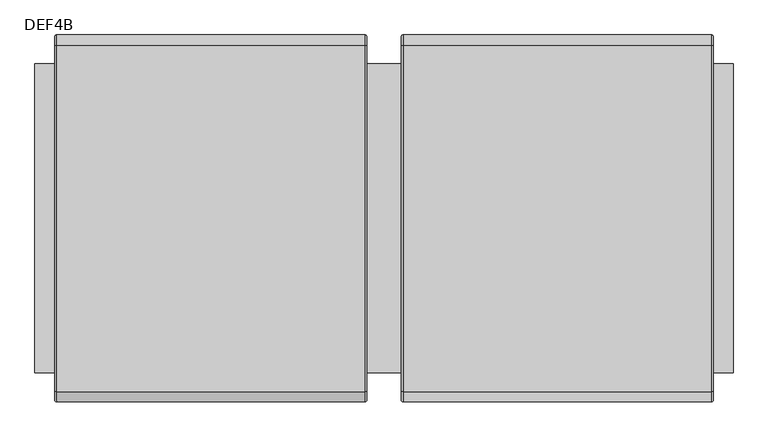
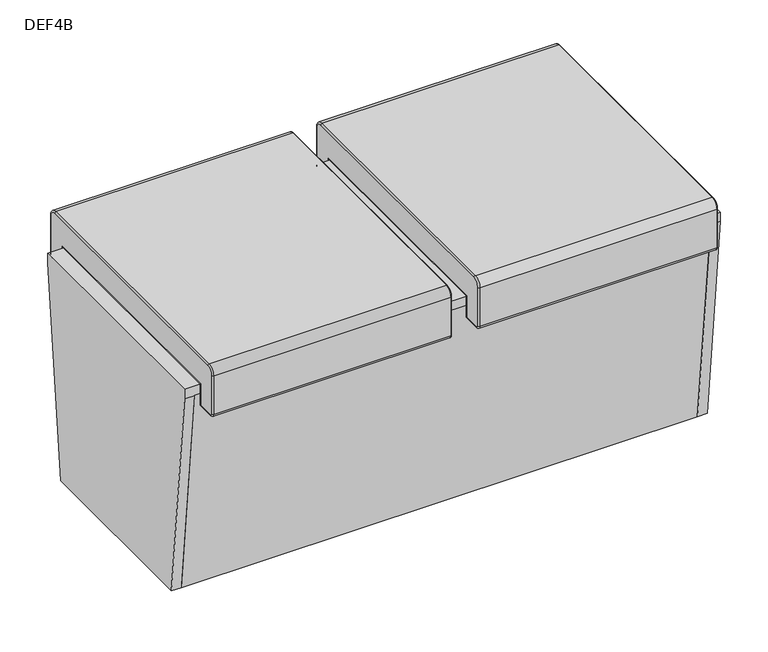
"""IFC4 building model written with IfcOpenShell, lengths in millimetres: furniture geometry, DEF4B."""

from ifc_helpers import new_model, si_unit, point, frame, origin, place, context, project, spatial, polyline, circle_curve, ellipse_curve, trimmed, outline, extrude, faceted_brep, source, transform, mapped, element, save
from ifc_brep_helpers import plane_surface, cylinder_surface, revolved_surface, advanced_brep


def def4b_145279ad(model_context):
    return source(origin(), model_context, "Body", "SolidModel", [
        faceted_brep([(-612.7783, 271.2596097, 496.5033953), (-612.7783, 219.075, 0.0), (-612.7783, -219.1360679, 0.0), (-612.7783, -271.2596097, 495.9223731), (-612.7783, -271.2596097, 518.7283953), (-612.7783, 271.2596097, 518.7283953), (-590.5721, -271.2596097, 495.9223731), (-590.5721, -219.1360679, 0.0), (-590.5721, 219.075, 0.0), (-590.5721, 271.2596097, 496.5033953), (-590.5721, -271.2596097, 496.5033953), (612.7783, 271.2596097, 518.7283953), (612.7783, 271.2596097, 496.5033953), (590.5721, 271.2596097, 496.5033953), (612.7783, -271.2596097, 518.7283953), (590.5721, -271.2596097, 496.5033953), (590.5721, -271.2596097, 495.9223731), (612.7783, -271.2596097, 495.9223731), (612.7783, -219.1360679, 0.0), (612.7783, 219.075, 0.0), (590.5721, 219.075, 0.0), (590.5721, -219.1360679, 0.0)], [[[0, 1, 2, 3, 4, 5]], [[6, 7, 8, 9, 10]], [[0, 5, 11, 12, 13, 9]], [[11, 5, 4, 14]], [[14, 4, 3, 6, 10, 15, 16, 17]], [[3, 2, 7, 6]], [[2, 1, 8, 7]], [[1, 0, 9, 8]], [[9, 13, 15, 10]], [[12, 11, 14, 17, 18, 19]], [[13, 20, 21, 16, 15]], [[18, 17, 16, 21]], [[19, 18, 21, 20]], [[12, 19, 20, 13]]]),
        advanced_brep(
        [(33.6023958, -304.0990974, 587.379849), (30.4273958, -304.0990974, 584.204849), (30.4273958, -318.8846097, 569.4193368), (33.6023958, -322.0596097, 569.4193368), (30.4273958, -318.8846097, 476.4000761), (33.6023958, -322.0596097, 476.4000761), (30.4273958, -313.0793535, 470.59482), (33.6023958, -313.0793535, 467.41982), (30.4273958, -274.4346097, 470.59482), (33.6023958, -271.2596097, 467.41982), (30.4273958, -274.4346097, 521.9033953), (33.6023958, -271.2596097, 518.7283953), (30.4273958, 274.4346097, 521.9033953), (33.6023958, 271.2596097, 518.7283953), (30.4273958, 274.4346097, 470.59482), (33.6023958, 271.2596097, 467.41982), (30.4273958, 312.9177074, 470.59482), (33.6023958, 312.9177074, 467.41982), (30.4273958, 318.8846097, 476.5617223), (33.6023958, 322.0596097, 476.5617223), (30.4273958, 318.8846097, 569.4193368), (33.6023958, 322.0596097, 569.4193368), (30.4273958, 304.0990974, 584.204849), (33.6023958, 304.0990974, 587.379849), (574.8658963, -271.2596097, 518.7283953), (574.8658963, 271.2596097, 518.7283953), (574.8658963, 271.2596097, 467.41982), (574.8658963, 312.9177074, 467.41982), (574.8658963, 322.0596097, 476.5617223), (574.8658963, 322.0596097, 569.4193368), (574.8658963, 304.0990974, 587.379849), (574.8658963, -304.0990974, 587.379849), (574.8658963, -322.0596097, 569.4193368), (574.8658963, -322.0596097, 476.4000761), (574.8658963, -313.0793535, 467.41982), (574.8658963, -271.2596097, 467.41982), (578.0408963, -304.0990974, 584.204849), (578.0408963, -318.8846097, 569.4193368), (578.0408963, -318.8846097, 476.4000761), (578.0408963, -313.0793535, 470.59482), (578.0408963, -274.4346097, 470.59482), (578.0408963, -274.4346097, 521.9033953), (578.0408963, 274.4346097, 521.9033953), (578.0408963, 274.4346097, 470.59482), (578.0408963, 312.9177074, 470.59482), (578.0408963, 318.8846097, 476.5617223), (578.0408963, 318.8846097, 569.4193368), (578.0408963, 304.0990974, 584.204849)],
        [
            (0, 1, circle_curve(frame((33.6023958, -304.0990974, 584.204849), z_axis=(0.0, -1.0, 0.0), x_axis=(0.0, 0.0, -1.0)), 3.175)),
            (1, 2, circle_curve(frame((30.4273958, -304.0990974, 569.4193368), z_axis=(1.0, 0.0, 0.0), x_axis=(0.0, 0.0, 1.0)), 14.7855122)),
            (2, 3, circle_curve(frame((33.6023958, -318.8846097, 569.4193368), z_axis=(0.0, 0.0, 1.0), x_axis=(0.0, 1.0, 0.0)), 3.175)),
            (3, 0, circle_curve(frame((33.6023958, -304.0990974, 569.4193368), z_axis=(-1.0, 0.0, 0.0), x_axis=(0.0, 0.0, 1.0)), 17.9605122)),
            (2, 4),
            (4, 5, circle_curve(frame((33.6023958, -318.8846097, 476.4000761), z_axis=(0.0, 0.0, 1.0), x_axis=(0.0, 1.0, 0.0)), 3.175)),
            (5, 3),
            (4, 6, circle_curve(frame((30.4273958, -313.0793535, 476.4000761), z_axis=(1.0, 0.0, 0.0), x_axis=(0.0, -1.0, 0.0)), 5.8052561)),
            (6, 7, circle_curve(frame((33.6023958, -313.0793535, 470.59482), z_axis=(0.0, -1.0, 0.0), x_axis=(0.0, 0.0, 1.0)), 3.175)),
            (7, 5, circle_curve(frame((33.6023958, -313.0793535, 476.4000761), z_axis=(-1.0, 0.0, 0.0), x_axis=(0.0, -1.0, 0.0)), 8.9802561)),
            (6, 8),
            (8, 9, ellipse_curve(frame((33.6023958, -274.4346097, 470.59482), z_axis=(0.0, -0.707106781186549, -0.7071067811865459), x_axis=(0.0, -0.7071067811865461, 0.7071067811865489)), 4.4901281, 3.175)),
            (9, 7),
            (8, 10),
            (10, 11, ellipse_curve(frame((33.6023958, -274.4346097, 521.9033953), z_axis=(0.0, -0.707106781186549, -0.7071067811865458), x_axis=(0.0, 0.7071067811865457, -0.7071067811865493)), 4.4901281, 3.175)),
            (11, 9),
            (10, 12),
            (12, 13, ellipse_curve(frame((33.6023958, 274.4346097, 521.9033953), z_axis=(0.0, -0.7071067811865451, 0.7071067811865498), x_axis=(0.0, -0.70710678118655, -0.707106781186545)), 4.4901281, 3.175)),
            (13, 11),
            (12, 14),
            (14, 15, ellipse_curve(frame((33.6023958, 274.4346097, 470.59482), z_axis=(0.0, -0.7071067811865486, 0.7071067811865464), x_axis=(0.0, 0.7071067811865464, 0.7071067811865487)), 4.4901281, 3.175)),
            (15, 13),
            (14, 16),
            (16, 17, circle_curve(frame((33.6023958, 312.9177074, 470.59482), z_axis=(0.0, -1.0, 0.0), x_axis=(0.0, 0.0, 1.0)), 3.175)),
            (17, 15),
            (16, 18, circle_curve(frame((30.4273958, 312.9177074, 476.5617223), z_axis=(1.0, 0.0, 0.0), x_axis=(0.0, 0.0, -1.0)), 5.9669023)),
            (18, 19, circle_curve(frame((33.6023958, 318.8846097, 476.5617223), z_axis=(0.0, 0.0, -1.0), x_axis=(0.0, -1.0, 0.0)), 3.175)),
            (19, 17, circle_curve(frame((33.6023958, 312.9177074, 476.5617223), z_axis=(-1.0, 0.0, 0.0), x_axis=(0.0, 0.0, -1.0)), 9.1419023)),
            (18, 20),
            (20, 21, circle_curve(frame((33.6023958, 318.8846097, 569.4193368), z_axis=(0.0, 0.0, -1.0), x_axis=(0.0, -1.0, 0.0)), 3.175)),
            (21, 19),
            (20, 22, circle_curve(frame((30.4273958, 304.0990974, 569.4193368), z_axis=(1.0, 0.0, 0.0), x_axis=(0.0, 1.0, 0.0)), 14.7855122)),
            (22, 23, circle_curve(frame((33.6023958, 304.0990974, 584.204849), z_axis=(0.0, 1.0, 0.0), x_axis=(0.0, 0.0, -1.0)), 3.175)),
            (23, 21, circle_curve(frame((33.6023958, 304.0990974, 569.4193368), z_axis=(-1.0, 0.0, 0.0), x_axis=(0.0, 1.0, 0.0)), 17.9605122)),
            (0, 23),
            (22, 1),
            (24, 11),
            (13, 25),
            (25, 24),
            (15, 26),
            (26, 25),
            (17, 27),
            (27, 26),
            (19, 28),
            (28, 27, circle_curve(frame((574.8658963, 312.9177074, 476.5617223), z_axis=(-1.0, 0.0, 0.0), x_axis=(0.0, 1.0, 0.0)), 9.1419023)),
            (21, 29),
            (29, 28),
            (23, 30),
            (30, 29, circle_curve(frame((574.8658963, 304.0990974, 569.4193368), z_axis=(-1.0, 0.0, 0.0), x_axis=(0.0, 1.0, 0.0)), 17.9605122)),
            (0, 31),
            (31, 30),
            (3, 32),
            (32, 31, circle_curve(frame((574.8658963, -304.0990974, 569.4193368), z_axis=(-1.0, 0.0, 0.0), x_axis=(0.0, 1.0, 0.0)), 17.9605122)),
            (5, 33),
            (33, 32),
            (7, 34),
            (34, 33, circle_curve(frame((574.8658963, -313.0793535, 476.4000761), z_axis=(-1.0, 0.0, 0.0), x_axis=(0.0, 1.0, 0.0)), 8.9802561)),
            (9, 35),
            (35, 34),
            (24, 35),
            (36, 31, circle_curve(frame((574.8658963, -304.0990974, 584.204849), z_axis=(0.0, -1.0, 0.0), x_axis=(0.0, 0.0, 1.0)), 3.175)),
            (32, 37, circle_curve(frame((574.8658963, -318.8846097, 569.4193368), z_axis=(0.0, 0.0, 1.0), x_axis=(0.0, -1.0, 0.0)), 3.175)),
            (37, 36, circle_curve(frame((578.0408963, -304.0990974, 569.4193368), z_axis=(-1.0, 0.0, 0.0), x_axis=(0.0, 0.0, 1.0)), 14.7855122)),
            (33, 38, circle_curve(frame((574.8658963, -318.8846097, 476.4000761), z_axis=(0.0, 0.0, 1.0), x_axis=(0.0, -1.0, 0.0)), 3.175)),
            (38, 37),
            (34, 39, circle_curve(frame((574.8658963, -313.0793535, 470.59482), z_axis=(0.0, -1.0, 0.0), x_axis=(0.0, 0.0, -1.0)), 3.175)),
            (39, 38, circle_curve(frame((578.0408963, -313.0793535, 476.4000761), z_axis=(-1.0, 0.0, 0.0), x_axis=(0.0, -1.0, 0.0)), 5.8052561)),
            (35, 40, ellipse_curve(frame((574.8658963, -274.4346097, 470.59482), z_axis=(0.0, -0.707106781186549, -0.7071067811865459), x_axis=(0.0, -0.7071067811865461, 0.7071067811865489)), 4.4901281, 3.175)),
            (40, 39),
            (24, 41, ellipse_curve(frame((574.8658963, -274.4346097, 521.9033953), z_axis=(0.0, -0.707106781186549, -0.7071067811865458), x_axis=(0.0, 0.7071067811865457, -0.7071067811865493)), 4.4901281, 3.175)),
            (41, 40),
            (25, 42, ellipse_curve(frame((574.8658963, 274.4346097, 521.9033953), z_axis=(0.0, -0.7071067811865451, 0.7071067811865498), x_axis=(0.0, -0.70710678118655, -0.707106781186545)), 4.4901281, 3.175)),
            (42, 41),
            (26, 43, ellipse_curve(frame((574.8658963, 274.4346097, 470.59482), z_axis=(0.0, -0.7071067811865486, 0.7071067811865464), x_axis=(0.0, 0.7071067811865464, 0.7071067811865487)), 4.4901281, 3.175)),
            (43, 42),
            (27, 44, circle_curve(frame((574.8658963, 312.9177074, 470.59482), z_axis=(0.0, -1.0, 0.0), x_axis=(0.0, 0.0, -1.0)), 3.175)),
            (44, 43),
            (28, 45, circle_curve(frame((574.8658963, 318.8846097, 476.5617223), z_axis=(0.0, 0.0, -1.0), x_axis=(0.0, 1.0, 0.0)), 3.175)),
            (45, 44, circle_curve(frame((578.0408963, 312.9177074, 476.5617223), z_axis=(-1.0, 0.0, 0.0), x_axis=(0.0, 0.0, -1.0)), 5.9669023)),
            (29, 46, circle_curve(frame((574.8658963, 318.8846097, 569.4193368), z_axis=(0.0, 0.0, -1.0), x_axis=(0.0, 1.0, 0.0)), 3.175)),
            (46, 45),
            (30, 47, circle_curve(frame((574.8658963, 304.0990974, 584.204849), z_axis=(0.0, 1.0, 0.0), x_axis=(0.0, 0.0, 1.0)), 3.175)),
            (47, 46, circle_curve(frame((578.0408963, 304.0990974, 569.4193368), z_axis=(-1.0, 0.0, 0.0), x_axis=(0.0, 1.0, 0.0)), 14.7855122)),
            (36, 47),
        ],
        [
            revolved_surface(trimmed(ellipse_curve(frame((33.6023958, -304.0990974, 584.204849), z_axis=(0.0, 1.0, 0.0), x_axis=(0.0, 0.0, -1.0)), 3.175, 3.175), [point((30.4273958, -304.0990974, 584.204849))], [point((33.6023958, -304.0990974, 587.379849))], True, "CARTESIAN"), (608.4682922, -304.0990974, 569.4193368), (1.0, 0.0, 0.0)),
            cylinder_surface(frame((33.6023958, -318.8846097, 569.4193368), z_axis=(0.0, 0.0, 1.0), x_axis=(0.0, 1.0, 0.0)), 3.175),
            revolved_surface(trimmed(ellipse_curve(frame((33.6023958, -318.8846097, 476.4000761), z_axis=(0.0, 0.0, 1.0), x_axis=(0.0, 1.0, 0.0)), 3.175, 3.175), [point((30.4273958, -318.8846097, 476.4000761))], [point((33.6023958, -322.0596097, 476.4000761))], True, "CARTESIAN"), (608.4682922, -313.0793535, 476.4000761), (1.0, 0.0, 0.0)),
            cylinder_surface(frame((33.6023958, -313.0793535, 470.59482), z_axis=(0.0, -1.0, 0.0), x_axis=(0.0, 0.0, 1.0)), 3.175),
            cylinder_surface(frame((33.6023958, -274.4346097, 467.41982), z_axis=(0.0, 0.0, -1.0), x_axis=(0.0, -1.0, 0.0)), 3.175),
            cylinder_surface(frame((33.6023958, -271.2596097, 521.9033953), z_axis=(0.0, -1.0, 0.0), x_axis=(0.0, 0.0, 1.0)), 3.175),
            cylinder_surface(frame((33.6023958, 274.4346097, 518.7283953), z_axis=(0.0, 0.0, 1.0), x_axis=(0.0, 1.0, 0.0)), 3.175),
            cylinder_surface(frame((33.6023958, 271.2596097, 470.59482), z_axis=(0.0, -1.0, 0.0), x_axis=(0.0, 0.0, 1.0)), 3.175),
            revolved_surface(trimmed(ellipse_curve(frame((33.6023958, 312.9177074, 470.59482), z_axis=(0.0, -1.0, 0.0), x_axis=(0.0, 0.0, 1.0)), 3.175, 3.175), [point((30.4273958, 312.9177074, 470.59482))], [point((33.6023958, 312.9177074, 467.41982))], True, "CARTESIAN"), (608.4682922, 312.9177074, 476.5617223), (1.0, 0.0, 0.0)),
            cylinder_surface(frame((33.6023958, 318.8846097, 476.5617223), z_axis=(0.0, 0.0, -1.0), x_axis=(0.0, -1.0, 0.0)), 3.175),
            revolved_surface(trimmed(ellipse_curve(frame((33.6023958, 318.8846097, 569.4193368), z_axis=(0.0, 0.0, -1.0), x_axis=(0.0, -1.0, 0.0)), 3.175, 3.175), [point((30.4273958, 318.8846097, 569.4193368))], [point((33.6023958, 322.0596097, 569.4193368))], True, "CARTESIAN"), (608.4682922, 304.0990974, 569.4193368), (1.0, 0.0, 0.0)),
            cylinder_surface(frame((33.6023958, 304.0990974, 584.204849), z_axis=(0.0, 1.0, 0.0), x_axis=(0.0, 0.0, -1.0)), 3.175),
            plane_surface(frame((574.8658963, -271.2596097, 518.7283953), z_axis=(0.0, 0.0, -1.0), x_axis=(-1.0, 0.0, 0.0))),
            plane_surface(frame((574.8658963, 271.2596097, 518.7283953), z_axis=(0.0, -1.0, 0.0), x_axis=(-1.0, 0.0, 0.0))),
            plane_surface(frame((574.8658963, 271.2596097, 467.41982), z_axis=(0.0, 0.0, -1.0), x_axis=(-1.0, 0.0, 0.0))),
            cylinder_surface(frame((33.6023958, 312.9177074, 476.5617223), z_axis=(1.0, 0.0, 0.0), x_axis=(0.0, 1.0, 0.0)), 9.1419023),
            plane_surface(frame((574.8658963, 322.0596097, 476.5617223), z_axis=(0.0, 1.0, 0.0), x_axis=(-1.0, 0.0, 0.0))),
            cylinder_surface(frame((33.6023958, 304.0990974, 569.4193368), z_axis=(1.0, 0.0, 0.0), x_axis=(0.0, 1.0, 0.0)), 17.9605122),
            plane_surface(frame((574.8658963, 304.0990974, 587.379849), z_axis=(0.0, 0.0, 1.0), x_axis=(-1.0, 0.0, 0.0))),
            cylinder_surface(frame((33.6023958, -304.0990974, 569.4193368), z_axis=(1.0, 0.0, 0.0), x_axis=(0.0, 1.0, 0.0)), 17.9605122),
            plane_surface(frame((574.8658963, -322.0596097, 569.4193368), z_axis=(0.0, -1.0, 0.0), x_axis=(-1.0, 0.0, 0.0))),
            cylinder_surface(frame((33.6023958, -313.0793535, 476.4000761), z_axis=(1.0, 0.0, 0.0), x_axis=(0.0, 1.0, 0.0)), 8.9802561),
            plane_surface(frame((574.8658963, -313.0793535, 467.41982), z_axis=(0.0, 0.0, -1.0), x_axis=(-1.0, 0.0, 0.0))),
            plane_surface(frame((574.8658963, -271.2596097, 467.41982), z_axis=(0.0, 1.0, 0.0), x_axis=(-1.0, 0.0, 0.0))),
            revolved_surface(trimmed(ellipse_curve(frame((574.8658963, -304.0990974, 584.204849), z_axis=(0.0, 1.0, 0.0), x_axis=(0.0, 0.0, 1.0)), 3.175, 3.175), [point((574.8658963, -304.0990974, 587.379849))], [point((578.0408963, -304.0990974, 584.204849))], True, "CARTESIAN"), (0.0, -304.0990974, 569.4193368), (1.0, 0.0, 0.0)),
            cylinder_surface(frame((574.8658963, -318.8846097, 569.4193368), z_axis=(0.0, 0.0, 1.0), x_axis=(0.0, -1.0, 0.0)), 3.175),
            revolved_surface(trimmed(ellipse_curve(frame((574.8658963, -318.8846097, 476.4000761), z_axis=(0.0, 0.0, 1.0), x_axis=(0.0, -1.0, 0.0)), 3.175, 3.175), [point((574.8658963, -322.0596097, 476.4000761))], [point((578.0408963, -318.8846097, 476.4000761))], True, "CARTESIAN"), (0.0, -313.0793535, 476.4000761), (1.0, 0.0, 0.0)),
            cylinder_surface(frame((574.8658963, -313.0793535, 470.59482), z_axis=(0.0, -1.0, 0.0), x_axis=(0.0, 0.0, -1.0)), 3.175),
            cylinder_surface(frame((574.8658963, -274.4346097, 467.41982), z_axis=(0.0, 0.0, -1.0), x_axis=(0.0, 1.0, 0.0)), 3.175),
            cylinder_surface(frame((574.8658963, -271.2596097, 521.9033953), z_axis=(0.0, -1.0, 0.0), x_axis=(0.0, 0.0, -1.0)), 3.175),
            cylinder_surface(frame((574.8658963, 274.4346097, 518.7283953), z_axis=(0.0, 0.0, 1.0), x_axis=(0.0, -1.0, 0.0)), 3.175),
            cylinder_surface(frame((574.8658963, 271.2596097, 470.59482), z_axis=(0.0, -1.0, 0.0), x_axis=(0.0, 0.0, -1.0)), 3.175),
            revolved_surface(trimmed(ellipse_curve(frame((574.8658963, 312.9177074, 470.59482), z_axis=(0.0, -1.0, 0.0), x_axis=(0.0, 0.0, -1.0)), 3.175, 3.175), [point((574.8658963, 312.9177074, 467.41982))], [point((578.0408963, 312.9177074, 470.59482))], True, "CARTESIAN"), (0.0, 312.9177074, 476.5617223), (1.0, 0.0, 0.0)),
            cylinder_surface(frame((574.8658963, 318.8846097, 476.5617223), z_axis=(0.0, 0.0, -1.0), x_axis=(0.0, 1.0, 0.0)), 3.175),
            revolved_surface(trimmed(ellipse_curve(frame((574.8658963, 318.8846097, 569.4193368), z_axis=(0.0, 0.0, -1.0), x_axis=(0.0, 1.0, 0.0)), 3.175, 3.175), [point((574.8658963, 322.0596097, 569.4193368))], [point((578.0408963, 318.8846097, 569.4193368))], True, "CARTESIAN"), (0.0, 304.0990974, 569.4193368), (1.0, 0.0, 0.0)),
            cylinder_surface(frame((574.8658963, 304.0990974, 584.204849), z_axis=(0.0, 1.0, 0.0), x_axis=(0.0, 0.0, 1.0)), 3.175),
            plane_surface(frame((578.0408963, -304.0990974, 584.204849), z_axis=(1.0, 0.0, 0.0), x_axis=(0.0, -1.0, 0.0))),
            plane_surface(frame((30.4273958, -304.0990974, 584.204849), z_axis=(-1.0, 0.0, 0.0), x_axis=(0.0, 1.0, 0.0))),
        ],
        [
            (0, [[1, 2, 3, 4]]),
            (1, [[-3, 5, 6, 7]]),
            (2, [[-6, 8, 9, 10]]),
            (3, [[-9, 11, 12, 13]]),
            (4, [[-12, 14, 15, 16]]),
            (5, [[-15, 17, 18, 19]]),
            (6, [[-18, 20, 21, 22]]),
            (7, [[-21, 23, 24, 25]]),
            (8, [[-24, 26, 27, 28]]),
            (9, [[-27, 29, 30, 31]]),
            (10, [[-30, 32, 33, 34]]),
            (11, [[-1, 35, -33, 36]]),
            (12, [[37, -19, 38, 39]]),
            (13, [[-38, -22, 40, 41]]),
            (14, [[-40, -25, 42, 43]]),
            (15, [[-42, -28, 44, 45]]),
            (16, [[-44, -31, 46, 47]]),
            (17, [[-46, -34, 48, 49]]),
            (18, [[-48, -35, 50, 51]]),
            (19, [[-50, -4, 52, 53]]),
            (20, [[-52, -7, 54, 55]]),
            (21, [[-54, -10, 56, 57]]),
            (22, [[-56, -13, 58, 59]]),
            (23, [[-37, 60, -58, -16]]),
            (24, [[61, -53, 62, 63]]),
            (25, [[-62, -55, 64, 65]]),
            (26, [[-64, -57, 66, 67]]),
            (27, [[-66, -59, 68, 69]]),
            (28, [[-68, -60, 70, 71]]),
            (29, [[-70, -39, 72, 73]]),
            (30, [[-72, -41, 74, 75]]),
            (31, [[-74, -43, 76, 77]]),
            (32, [[-76, -45, 78, 79]]),
            (33, [[-78, -47, 80, 81]]),
            (34, [[-80, -49, 82, 83]]),
            (35, [[-61, 84, -82, -51]]),
            (36, [[-63, -65, -67, -69, -71, -73, -75, -77, -79, -81, -83, -84]]),
            (37, [[-2, -36, -32, -29, -26, -23, -20, -17, -14, -11, -8, -5]]),
        ],
    ),
        advanced_brep(
        [(-574.8658963, 271.2596097, 518.7283953), (-33.6023958, 271.2596097, 518.7283953), (-33.6023958, -271.2596097, 518.7283953), (-574.8658963, -271.2596097, 518.7283953), (-574.8658963, 271.2596097, 467.41982), (-33.6023958, 271.2596097, 467.41982), (-574.8658963, 312.9177074, 467.41982), (-33.6023958, 312.9177074, 467.41982), (-574.8658963, 322.0596097, 476.5617223), (-33.6023958, 322.0596097, 476.5617223), (-574.8658963, 322.0596097, 569.4193368), (-33.6023958, 322.0596097, 569.4193368), (-574.8658963, 304.0990974, 587.379849), (-33.6023958, 304.0990974, 587.379849), (-574.8658963, -304.0990974, 587.379849), (-33.6023958, -304.0990974, 587.379849), (-574.8658963, -322.0596097, 569.4193368), (-33.6023958, -322.0596097, 569.4193368), (-574.8658963, -322.0596097, 476.4000761), (-33.6023958, -322.0596097, 476.4000761), (-574.8658963, -313.0793535, 467.41982), (-33.6023958, -313.0793535, 467.41982), (-574.8658963, -271.2596097, 467.41982), (-33.6023958, -271.2596097, 467.41982), (-578.0408963, -304.0990974, 584.204849), (-578.0408963, -318.8846097, 569.4193368), (-578.0408963, -318.8846097, 476.4000761), (-578.0408963, -313.0793535, 470.59482), (-578.0408963, -274.4346097, 470.59482), (-578.0408963, -274.4346097, 521.9033953), (-578.0408963, 274.4346097, 521.9033953), (-578.0408963, 274.4346097, 470.59482), (-578.0408963, 312.9177074, 470.59482), (-578.0408963, 318.8846097, 476.5617223), (-578.0408963, 318.8846097, 569.4193368), (-578.0408963, 304.0990974, 584.204849), (-30.4273958, -304.0990974, 584.204849), (-30.4273958, -318.8846097, 569.4193368), (-30.4273958, -318.8846097, 476.4000761), (-30.4273958, -313.0793535, 470.59482), (-30.4273958, -274.4346097, 470.59482), (-30.4273958, -274.4346097, 521.9033953), (-30.4273958, 274.4346097, 521.9033953), (-30.4273958, 274.4346097, 470.59482), (-30.4273958, 312.9177074, 470.59482), (-30.4273958, 318.8846097, 476.5617223), (-30.4273958, 318.8846097, 569.4193368), (-30.4273958, 304.0990974, 584.204849)],
        [
            (0, 1),
            (1, 2),
            (2, 3),
            (3, 0),
            (0, 4),
            (4, 5),
            (5, 1),
            (4, 6),
            (6, 7),
            (7, 5),
            (6, 8, circle_curve(frame((-574.8658963, 312.9177074, 476.5617223), z_axis=(1.0, 0.0, 0.0), x_axis=(0.0, 1.0, 0.0)), 9.1419023)),
            (8, 9),
            (9, 7, circle_curve(frame((-33.6023958, 312.9177074, 476.5617223), z_axis=(-1.0, 0.0, 0.0), x_axis=(0.0, 1.0, 0.0)), 9.1419023)),
            (8, 10),
            (10, 11),
            (11, 9),
            (10, 12, circle_curve(frame((-574.8658963, 304.0990974, 569.4193368), z_axis=(1.0, 0.0, 0.0), x_axis=(0.0, 1.0, 0.0)), 17.9605122)),
            (12, 13),
            (13, 11, circle_curve(frame((-33.6023958, 304.0990974, 569.4193368), z_axis=(-1.0, 0.0, 0.0), x_axis=(0.0, 1.0, 0.0)), 17.9605122)),
            (12, 14),
            (14, 15),
            (15, 13),
            (14, 16, circle_curve(frame((-574.8658963, -304.0990974, 569.4193368), z_axis=(1.0, 0.0, 0.0), x_axis=(0.0, 1.0, 0.0)), 17.9605122)),
            (16, 17),
            (17, 15, circle_curve(frame((-33.6023958, -304.0990974, 569.4193368), z_axis=(-1.0, 0.0, 0.0), x_axis=(0.0, 1.0, 0.0)), 17.9605122)),
            (16, 18),
            (18, 19),
            (19, 17),
            (18, 20, circle_curve(frame((-574.8658963, -313.0793535, 476.4000761), z_axis=(1.0, 0.0, 0.0), x_axis=(0.0, 1.0, 0.0)), 8.9802561)),
            (20, 21),
            (21, 19, circle_curve(frame((-33.6023958, -313.0793535, 476.4000761), z_axis=(-1.0, 0.0, 0.0), x_axis=(0.0, 1.0, 0.0)), 8.9802561)),
            (20, 22),
            (22, 23),
            (23, 21),
            (2, 23),
            (22, 3),
            (14, 24, circle_curve(frame((-574.8658963, -304.0990974, 584.204849), z_axis=(0.0, -1.0, 0.0), x_axis=(0.0, 0.0, -1.0)), 3.175)),
            (24, 25, circle_curve(frame((-578.0408963, -304.0990974, 569.4193368), z_axis=(1.0, 0.0, 0.0), x_axis=(0.0, 0.0, 1.0)), 14.7855122)),
            (25, 16, circle_curve(frame((-574.8658963, -318.8846097, 569.4193368), z_axis=(0.0, 0.0, 1.0), x_axis=(0.0, 1.0, 0.0)), 3.175)),
            (25, 26),
            (26, 18, circle_curve(frame((-574.8658963, -318.8846097, 476.4000761), z_axis=(0.0, 0.0, 1.0), x_axis=(0.0, 1.0, 0.0)), 3.175)),
            (26, 27, circle_curve(frame((-578.0408963, -313.0793535, 476.4000761), z_axis=(1.0, 0.0, 0.0), x_axis=(0.0, -1.0, 0.0)), 5.8052561)),
            (27, 20, circle_curve(frame((-574.8658963, -313.0793535, 470.59482), z_axis=(0.0, -1.0, 0.0), x_axis=(0.0, 0.0, 1.0)), 3.175)),
            (27, 28),
            (28, 22, ellipse_curve(frame((-574.8658963, -274.4346097, 470.59482), z_axis=(0.0, -0.707106781186549, -0.7071067811865459), x_axis=(0.0, -0.7071067811865461, 0.7071067811865489)), 4.4901281, 3.175)),
            (28, 29),
            (29, 3, ellipse_curve(frame((-574.8658963, -274.4346097, 521.9033953), z_axis=(0.0, -0.707106781186549, -0.7071067811865458), x_axis=(0.0, 0.7071067811865457, -0.7071067811865493)), 4.4901281, 3.175)),
            (29, 30),
            (30, 0, ellipse_curve(frame((-574.8658963, 274.4346097, 521.9033953), z_axis=(0.0, -0.7071067811865451, 0.7071067811865498), x_axis=(0.0, -0.70710678118655, -0.707106781186545)), 4.4901281, 3.175)),
            (30, 31),
            (31, 4, ellipse_curve(frame((-574.8658963, 274.4346097, 470.59482), z_axis=(0.0, -0.7071067811865486, 0.7071067811865464), x_axis=(0.0, 0.7071067811865464, 0.7071067811865487)), 4.4901281, 3.175)),
            (31, 32),
            (32, 6, circle_curve(frame((-574.8658963, 312.9177074, 470.59482), z_axis=(0.0, -1.0, 0.0), x_axis=(0.0, 0.0, 1.0)), 3.175)),
            (32, 33, circle_curve(frame((-578.0408963, 312.9177074, 476.5617223), z_axis=(1.0, 0.0, 0.0), x_axis=(0.0, 0.0, -1.0)), 5.9669023)),
            (33, 8, circle_curve(frame((-574.8658963, 318.8846097, 476.5617223), z_axis=(0.0, 0.0, -1.0), x_axis=(0.0, -1.0, 0.0)), 3.175)),
            (33, 34),
            (34, 10, circle_curve(frame((-574.8658963, 318.8846097, 569.4193368), z_axis=(0.0, 0.0, -1.0), x_axis=(0.0, -1.0, 0.0)), 3.175)),
            (34, 35, circle_curve(frame((-578.0408963, 304.0990974, 569.4193368), z_axis=(1.0, 0.0, 0.0), x_axis=(0.0, 1.0, 0.0)), 14.7855122)),
            (35, 12, circle_curve(frame((-574.8658963, 304.0990974, 584.204849), z_axis=(0.0, 1.0, 0.0), x_axis=(0.0, 0.0, -1.0)), 3.175)),
            (35, 24),
            (36, 15, circle_curve(frame((-33.6023958, -304.0990974, 584.204849), z_axis=(0.0, -1.0, 0.0), x_axis=(0.0, 0.0, 1.0)), 3.175)),
            (17, 37, circle_curve(frame((-33.6023958, -318.8846097, 569.4193368), z_axis=(0.0, 0.0, 1.0), x_axis=(0.0, -1.0, 0.0)), 3.175)),
            (37, 36, circle_curve(frame((-30.4273958, -304.0990974, 569.4193368), z_axis=(-1.0, 0.0, 0.0), x_axis=(0.0, 0.0, 1.0)), 14.7855122)),
            (19, 38, circle_curve(frame((-33.6023958, -318.8846097, 476.4000761), z_axis=(0.0, 0.0, 1.0), x_axis=(0.0, -1.0, 0.0)), 3.175)),
            (38, 37),
            (21, 39, circle_curve(frame((-33.6023958, -313.0793535, 470.59482), z_axis=(0.0, -1.0, 0.0), x_axis=(0.0, 0.0, -1.0)), 3.175)),
            (39, 38, circle_curve(frame((-30.4273958, -313.0793535, 476.4000761), z_axis=(-1.0, 0.0, 0.0), x_axis=(0.0, -1.0, 0.0)), 5.8052561)),
            (23, 40, ellipse_curve(frame((-33.6023958, -274.4346097, 470.59482), z_axis=(0.0, -0.707106781186549, -0.7071067811865459), x_axis=(0.0, -0.7071067811865461, 0.7071067811865489)), 4.4901281, 3.175)),
            (40, 39),
            (2, 41, ellipse_curve(frame((-33.6023958, -274.4346097, 521.9033953), z_axis=(0.0, -0.707106781186549, -0.7071067811865458), x_axis=(0.0, 0.7071067811865457, -0.7071067811865493)), 4.4901281, 3.175)),
            (41, 40),
            (1, 42, ellipse_curve(frame((-33.6023958, 274.4346097, 521.9033953), z_axis=(0.0, -0.7071067811865451, 0.7071067811865498), x_axis=(0.0, -0.70710678118655, -0.707106781186545)), 4.4901281, 3.175)),
            (42, 41),
            (5, 43, ellipse_curve(frame((-33.6023958, 274.4346097, 470.59482), z_axis=(0.0, -0.7071067811865486, 0.7071067811865464), x_axis=(0.0, 0.7071067811865464, 0.7071067811865487)), 4.4901281, 3.175)),
            (43, 42),
            (7, 44, circle_curve(frame((-33.6023958, 312.9177074, 470.59482), z_axis=(0.0, -1.0, 0.0), x_axis=(0.0, 0.0, -1.0)), 3.175)),
            (44, 43),
            (9, 45, circle_curve(frame((-33.6023958, 318.8846097, 476.5617223), z_axis=(0.0, 0.0, -1.0), x_axis=(0.0, 1.0, 0.0)), 3.175)),
            (45, 44, circle_curve(frame((-30.4273958, 312.9177074, 476.5617223), z_axis=(-1.0, 0.0, 0.0), x_axis=(0.0, 0.0, -1.0)), 5.9669023)),
            (11, 46, circle_curve(frame((-33.6023958, 318.8846097, 569.4193368), z_axis=(0.0, 0.0, -1.0), x_axis=(0.0, 1.0, 0.0)), 3.175)),
            (46, 45),
            (13, 47, circle_curve(frame((-33.6023958, 304.0990974, 584.204849), z_axis=(0.0, 1.0, 0.0), x_axis=(0.0, 0.0, 1.0)), 3.175)),
            (47, 46, circle_curve(frame((-30.4273958, 304.0990974, 569.4193368), z_axis=(-1.0, 0.0, 0.0), x_axis=(0.0, 1.0, 0.0)), 14.7855122)),
            (36, 47),
        ],
        [
            plane_surface(frame((-574.8658963, 271.2596097, 518.7283953), z_axis=(0.0, 0.0, -1.0), x_axis=(1.0, 0.0, 0.0))),
            plane_surface(frame((-574.8658963, 271.2596097, 467.41982), z_axis=(0.0, -1.0, 0.0), x_axis=(1.0, 0.0, 0.0))),
            plane_surface(frame((-574.8658963, 312.9177074, 467.41982), z_axis=(0.0, 0.0, -1.0), x_axis=(1.0, 0.0, 0.0))),
            cylinder_surface(frame((-33.6023958, 312.9177074, 476.5617223), z_axis=(-1.0, 0.0, 0.0), x_axis=(0.0, 1.0, 0.0)), 9.1419023),
            plane_surface(frame((-574.8658963, 322.0596097, 569.4193368), z_axis=(0.0, 1.0, 0.0), x_axis=(1.0, 0.0, 0.0))),
            cylinder_surface(frame((-33.6023958, 304.0990974, 569.4193368), z_axis=(-1.0, 0.0, 0.0), x_axis=(0.0, 1.0, 0.0)), 17.9605122),
            plane_surface(frame((-574.8658963, -304.0990974, 587.379849), z_axis=(0.0, 0.0, 1.0), x_axis=(1.0, 0.0, 0.0))),
            cylinder_surface(frame((-33.6023958, -304.0990974, 569.4193368), z_axis=(-1.0, 0.0, 0.0), x_axis=(0.0, 1.0, 0.0)), 17.9605122),
            plane_surface(frame((-574.8658963, -322.0596097, 476.4000761), z_axis=(0.0, -1.0, 0.0), x_axis=(1.0, 0.0, 0.0))),
            cylinder_surface(frame((-33.6023958, -313.0793535, 476.4000761), z_axis=(-1.0, 0.0, 0.0), x_axis=(0.0, 1.0, 0.0)), 8.9802561),
            plane_surface(frame((-574.8658963, -271.2596097, 467.41982), z_axis=(0.0, 0.0, -1.0), x_axis=(1.0, 0.0, 0.0))),
            plane_surface(frame((-574.8658963, -271.2596097, 518.7283953), z_axis=(0.0, 1.0, 0.0), x_axis=(1.0, 0.0, 0.0))),
            revolved_surface(trimmed(ellipse_curve(frame((-574.8658963, -304.0990974, 584.204849), z_axis=(0.0, 1.0, 0.0), x_axis=(0.0, 0.0, -1.0)), 3.175, 3.175), [point((-578.0408963, -304.0990974, 584.204849))], [point((-574.8658963, -304.0990974, 587.379849))], True, "CARTESIAN"), (0.0, -304.0990974, 569.4193368), (1.0, 0.0, 0.0)),
            cylinder_surface(frame((-574.8658963, -318.8846097, 569.4193368), z_axis=(0.0, 0.0, 1.0), x_axis=(0.0, 1.0, 0.0)), 3.175),
            revolved_surface(trimmed(ellipse_curve(frame((-574.8658963, -318.8846097, 476.4000761), z_axis=(0.0, 0.0, 1.0), x_axis=(0.0, 1.0, 0.0)), 3.175, 3.175), [point((-578.0408963, -318.8846097, 476.4000761))], [point((-574.8658963, -322.0596097, 476.4000761))], True, "CARTESIAN"), (0.0, -313.0793535, 476.4000761), (1.0, 0.0, 0.0)),
            cylinder_surface(frame((-574.8658963, -313.0793535, 470.59482), z_axis=(0.0, -1.0, 0.0), x_axis=(0.0, 0.0, 1.0)), 3.175),
            cylinder_surface(frame((-574.8658963, -274.4346097, 467.41982), z_axis=(0.0, 0.0, -1.0), x_axis=(0.0, -1.0, 0.0)), 3.175),
            cylinder_surface(frame((-574.8658963, -271.2596097, 521.9033953), z_axis=(0.0, -1.0, 0.0), x_axis=(0.0, 0.0, 1.0)), 3.175),
            cylinder_surface(frame((-574.8658963, 274.4346097, 518.7283953), z_axis=(0.0, 0.0, 1.0), x_axis=(0.0, 1.0, 0.0)), 3.175),
            cylinder_surface(frame((-574.8658963, 271.2596097, 470.59482), z_axis=(0.0, -1.0, 0.0), x_axis=(0.0, 0.0, 1.0)), 3.175),
            revolved_surface(trimmed(ellipse_curve(frame((-574.8658963, 312.9177074, 470.59482), z_axis=(0.0, -1.0, 0.0), x_axis=(0.0, 0.0, 1.0)), 3.175, 3.175), [point((-578.0408963, 312.9177074, 470.59482))], [point((-574.8658963, 312.9177074, 467.41982))], True, "CARTESIAN"), (0.0, 312.9177074, 476.5617223), (1.0, 0.0, 0.0)),
            cylinder_surface(frame((-574.8658963, 318.8846097, 476.5617223), z_axis=(0.0, 0.0, -1.0), x_axis=(0.0, -1.0, 0.0)), 3.175),
            revolved_surface(trimmed(ellipse_curve(frame((-574.8658963, 318.8846097, 569.4193368), z_axis=(0.0, 0.0, -1.0), x_axis=(0.0, -1.0, 0.0)), 3.175, 3.175), [point((-578.0408963, 318.8846097, 569.4193368))], [point((-574.8658963, 322.0596097, 569.4193368))], True, "CARTESIAN"), (0.0, 304.0990974, 569.4193368), (1.0, 0.0, 0.0)),
            cylinder_surface(frame((-574.8658963, 304.0990974, 584.204849), z_axis=(0.0, 1.0, 0.0), x_axis=(0.0, 0.0, -1.0)), 3.175),
            revolved_surface(trimmed(ellipse_curve(frame((-33.6023958, -304.0990974, 584.204849), z_axis=(0.0, 1.0, 0.0), x_axis=(0.0, 0.0, 1.0)), 3.175, 3.175), [point((-33.6023958, -304.0990974, 587.379849))], [point((-30.4273958, -304.0990974, 584.204849))], True, "CARTESIAN"), (-608.4682922, -304.0990974, 569.4193368), (1.0, 0.0, 0.0)),
            cylinder_surface(frame((-33.6023958, -318.8846097, 569.4193368), z_axis=(0.0, 0.0, 1.0), x_axis=(0.0, -1.0, 0.0)), 3.175),
            revolved_surface(trimmed(ellipse_curve(frame((-33.6023958, -318.8846097, 476.4000761), z_axis=(0.0, 0.0, 1.0), x_axis=(0.0, -1.0, 0.0)), 3.175, 3.175), [point((-33.6023958, -322.0596097, 476.4000761))], [point((-30.4273958, -318.8846097, 476.4000761))], True, "CARTESIAN"), (-608.4682922, -313.0793535, 476.4000761), (1.0, 0.0, 0.0)),
            cylinder_surface(frame((-33.6023958, -313.0793535, 470.59482), z_axis=(0.0, -1.0, 0.0), x_axis=(0.0, 0.0, -1.0)), 3.175),
            cylinder_surface(frame((-33.6023958, -274.4346097, 467.41982), z_axis=(0.0, 0.0, -1.0), x_axis=(0.0, 1.0, 0.0)), 3.175),
            cylinder_surface(frame((-33.6023958, -271.2596097, 521.9033953), z_axis=(0.0, -1.0, 0.0), x_axis=(0.0, 0.0, -1.0)), 3.175),
            cylinder_surface(frame((-33.6023958, 274.4346097, 518.7283953), z_axis=(0.0, 0.0, 1.0), x_axis=(0.0, -1.0, 0.0)), 3.175),
            cylinder_surface(frame((-33.6023958, 271.2596097, 470.59482), z_axis=(0.0, -1.0, 0.0), x_axis=(0.0, 0.0, -1.0)), 3.175),
            revolved_surface(trimmed(ellipse_curve(frame((-33.6023958, 312.9177074, 470.59482), z_axis=(0.0, -1.0, 0.0), x_axis=(0.0, 0.0, -1.0)), 3.175, 3.175), [point((-33.6023958, 312.9177074, 467.41982))], [point((-30.4273958, 312.9177074, 470.59482))], True, "CARTESIAN"), (-608.4682922, 312.9177074, 476.5617223), (1.0, 0.0, 0.0)),
            cylinder_surface(frame((-33.6023958, 318.8846097, 476.5617223), z_axis=(0.0, 0.0, -1.0), x_axis=(0.0, 1.0, 0.0)), 3.175),
            revolved_surface(trimmed(ellipse_curve(frame((-33.6023958, 318.8846097, 569.4193368), z_axis=(0.0, 0.0, -1.0), x_axis=(0.0, 1.0, 0.0)), 3.175, 3.175), [point((-33.6023958, 322.0596097, 569.4193368))], [point((-30.4273958, 318.8846097, 569.4193368))], True, "CARTESIAN"), (-608.4682922, 304.0990974, 569.4193368), (1.0, 0.0, 0.0)),
            cylinder_surface(frame((-33.6023958, 304.0990974, 584.204849), z_axis=(0.0, 1.0, 0.0), x_axis=(0.0, 0.0, 1.0)), 3.175),
            plane_surface(frame((-578.0408963, -304.0990974, 584.204849), z_axis=(-1.0, 0.0, 0.0), x_axis=(0.0, 1.0, 0.0))),
            plane_surface(frame((-30.4273958, -304.0990974, 584.204849), z_axis=(1.0, 0.0, 0.0), x_axis=(0.0, -1.0, 0.0))),
        ],
        [
            (0, [[1, 2, 3, 4]]),
            (1, [[-1, 5, 6, 7]]),
            (2, [[-6, 8, 9, 10]]),
            (3, [[-9, 11, 12, 13]]),
            (4, [[-12, 14, 15, 16]]),
            (5, [[-15, 17, 18, 19]]),
            (6, [[-18, 20, 21, 22]]),
            (7, [[-21, 23, 24, 25]]),
            (8, [[-24, 26, 27, 28]]),
            (9, [[-27, 29, 30, 31]]),
            (10, [[-30, 32, 33, 34]]),
            (11, [[-3, 35, -33, 36]]),
            (12, [[37, 38, 39, -23]]),
            (13, [[-39, 40, 41, -26]]),
            (14, [[-41, 42, 43, -29]]),
            (15, [[-43, 44, 45, -32]]),
            (16, [[-45, 46, 47, -36]]),
            (17, [[-47, 48, 49, -4]]),
            (18, [[-49, 50, 51, -5]]),
            (19, [[-51, 52, 53, -8]]),
            (20, [[-53, 54, 55, -11]]),
            (21, [[-55, 56, 57, -14]]),
            (22, [[-57, 58, 59, -17]]),
            (23, [[-37, -20, -59, 60]]),
            (24, [[61, -25, 62, 63]]),
            (25, [[-62, -28, 64, 65]]),
            (26, [[-64, -31, 66, 67]]),
            (27, [[-66, -34, 68, 69]]),
            (28, [[-68, -35, 70, 71]]),
            (29, [[-70, -2, 72, 73]]),
            (30, [[-72, -7, 74, 75]]),
            (31, [[-74, -10, 76, 77]]),
            (32, [[-76, -13, 78, 79]]),
            (33, [[-78, -16, 80, 81]]),
            (34, [[-80, -19, 82, 83]]),
            (35, [[-61, 84, -82, -22]]),
            (36, [[-38, -60, -58, -56, -54, -52, -50, -48, -46, -44, -42, -40]]),
            (37, [[-63, -65, -67, -69, -71, -73, -75, -77, -79, -81, -83, -84]]),
        ],
    ),
        extrude(outline(polyline([(-248.9124739, 496.5033953), (-196.7889321, 0.0), (-219.1360687, 0.0), (-271.2596097, 496.5033953), (-248.9124739, 496.5033953)])), frame((-590.5279, 0.0, 0.0), z_axis=(1.0, 0.0, 0.0), x_axis=(0.0, 1.0, 0.0)), (0.0, 0.0, 1.0), 1181.1),
        extrude(outline(polyline([(248.9124739, 496.5033953), (271.2596097, 496.5033953), (219.1360687, 0.0), (196.7889321, 0.0), (248.9124739, 496.5033953)])), frame((-590.5279, 0.0, 0.0), z_axis=(1.0, 0.0, 0.0), x_axis=(0.0, 1.0, 0.0)), (0.0, 0.0, 1.0), 1181.1),
    ])


if __name__ == "__main__":
    model = new_model("IFC4")
    model_context = context("Model", 3, world=origin())
    ifc_project = project(units=[si_unit("LENGTHUNIT", "METRE", prefix="MILLI")], contexts=[model_context])
    site = spatial("IfcSite", under=ifc_project)
    building = spatial("IfcBuilding", under=site)
    placement = place(None, origin())
    def4b_shape = def4b_145279ad(model_context)
    element("IfcFurniture", 1, ObjectType="DEF4B", at=placement, inside=building, context=model_context, shape_type="MappedRepresentation", body=[
        mapped(def4b_shape, transform((0.0, 0.0, 0.0), x_axis=(1.0, 0.0, 0.0), y_axis=(0.0, 1.0, 0.0), z_axis=(0.0, 0.0, 1.0))),
    ])
    save(model, "model.ifc")
